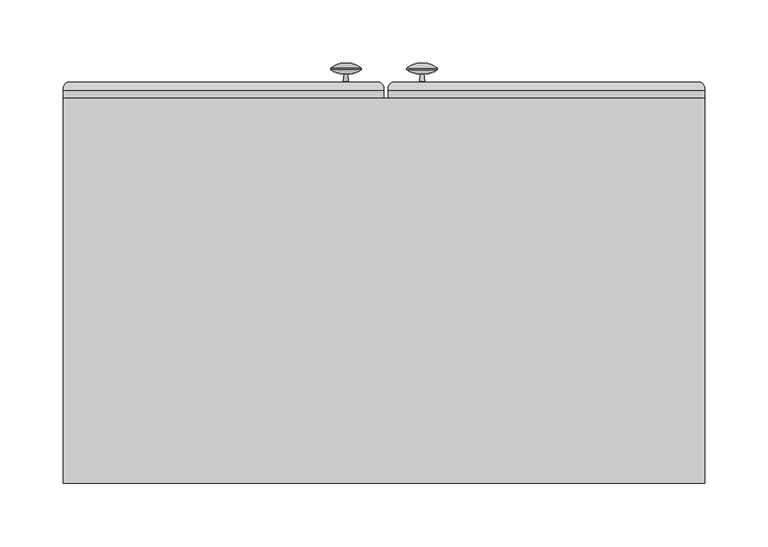
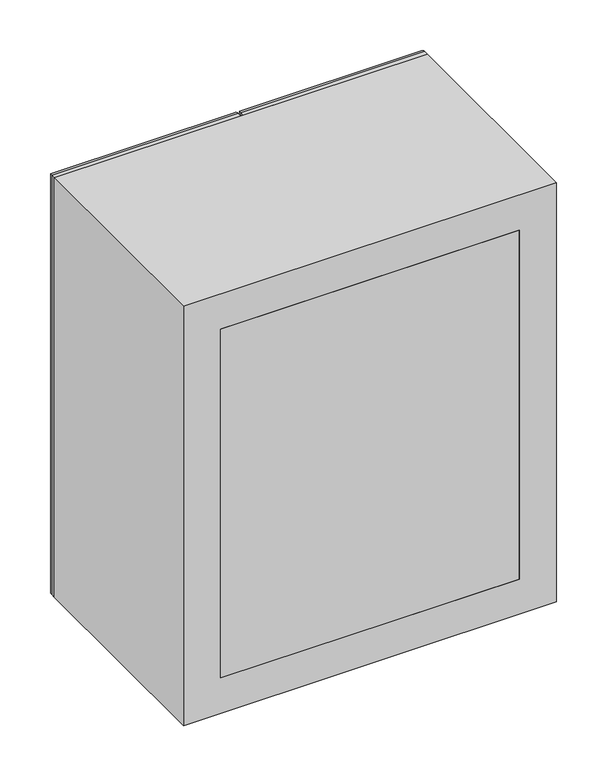
"""IFC4 building model written with IfcOpenShell, lengths in millimetres: furniture geometry."""

from ifc_helpers import new_model, si_unit, point, frame, frame_2d, origin, place, context, project, spatial, polyline, circle_curve, ellipse_curve, trimmed, segment, composite_curve, outline, extrude, source, transform, mapped, element, save
from ifc_brep_helpers import plane_surface, cylinder_surface, revolved_surface, advanced_brep


def furniture_ed995987(model_context):
    return source(origin(), model_context, "Body", "SolidModel", [
        extrude(outline(polyline([(-274.7654395, 366.7125), (131.6345605, 366.7125), (131.6345605, 360.3625), (-274.7654395, 360.3625), (-274.7654395, 366.7125)])), frame((0.0, 0.0, 1574.8), z_axis=(0.0, 0.0, 1.0), x_axis=(1.0, 0.0, 0.0)), (0.0, 0.0, 1.0), 501.65),
        extrude(outline(polyline([(131.6345605, 61.9125), (-274.7654395, 61.9125), (-274.7654395, 80.9625), (131.6345605, 80.9625), (131.6345605, 61.9125)])), frame((0.0, 0.0, 1574.8), z_axis=(0.0, 0.0, 1.0), x_axis=(1.0, 0.0, 0.0)), (0.0, 0.0, 1.0), 501.65),
        extrude(outline(polyline([(2127.25, -325.5654395), (1524.0, -325.5654395), (1524.0, 182.4345605), (2127.25, 182.4345605), (2127.25, -325.5654395)]), holes=[polyline([(2076.45, -274.7654395), (2076.45, 131.6345605), (1574.8, 131.6345605), (1574.8, -274.7654395), (2076.45, -274.7654395)])]), frame((0.0, 61.9125, 0.0), z_axis=(0.0, 1.0, 0.0), x_axis=(0.0, 0.0, 1.0)), (0.0, 0.0, 1.0), 304.8),
        extrude(outline(composite_curve([segment(trimmed(circle_curve(frame_2d((-298.4199247, 373.6644975)), 7.0487113), [point((-294.3401211, 379.4125))], [point((-291.3969674, 373.0625))], False, "CARTESIAN"), True, "CONTINUOUS"), segment(polyline([(-291.3969674, 373.0625), (-291.3969674, 366.7125), (-310.4469674, 366.7125), (-310.4469674, 373.0625)]), True, "CONTINUOUS"), segment(trimmed(circle_curve(frame_2d((-303.4240101, 373.6644975)), 7.0487113), [point((-310.4469674, 373.0625))], [point((-307.5038137, 379.4125))], False, "CARTESIAN"), True, "CONTINUOUS"), segment(polyline([(-307.5038137, 379.4125), (-294.3401211, 379.4125)]), True, "CONTINUOUS")], self_intersect=False)), frame((0.0, 0.0, 1569.2911459), z_axis=(0.0, 0.0, 1.0), x_axis=(1.0, 0.0, 0.0)), (0.0, 0.0, 1.0), 510.2809368),
        extrude(outline(composite_curve([segment(polyline([(379.4125, 1834.7342241), (379.4125, 1821.5705316)]), True, "CONTINUOUS"), segment(trimmed(circle_curve(frame_2d((373.6644975, 1825.6503351)), 7.0487113), [point((379.4125, 1821.5705316))], [point((373.0625, 1818.6273778))], False, "CARTESIAN"), True, "CONTINUOUS"), segment(polyline([(373.0625, 1818.6273778), (366.7125, 1818.6273778), (366.7125, 1837.6773778), (373.0625, 1837.6773778)]), True, "CONTINUOUS"), segment(trimmed(circle_curve(frame_2d((373.6644975, 1830.6544205)), 7.0487113), [point((373.0625, 1837.6773778))], [point((379.4125, 1834.7342241))], False, "CARTESIAN"), True, "CONTINUOUS")], self_intersect=False)), frame((-277.9155794, 0.0, 0.0), z_axis=(1.0, 0.0, 0.0), x_axis=(0.0, 1.0, 0.0)), (0.0, 0.0, 1.0), 158.7002798),
        extrude(outline(composite_curve([segment(polyline([(379.4125, 1834.9261538), (379.4125, 1821.7624613)]), True, "CONTINUOUS"), segment(trimmed(circle_curve(frame_2d((373.6644975, 1825.8422648)), 7.0487113), [point((379.4125, 1821.7624613))], [point((373.0625, 1818.8193075))], False, "CARTESIAN"), True, "CONTINUOUS"), segment(polyline([(373.0625, 1818.8193075), (366.7125, 1818.8193075), (366.7125, 1837.8693075), (373.0625, 1837.8693075)]), True, "CONTINUOUS"), segment(trimmed(circle_curve(frame_2d((373.6644975, 1830.8463502)), 7.0487113), [point((373.0625, 1837.8693075))], [point((379.4125, 1834.9261538))], False, "CARTESIAN"), True, "CONTINUOUS")], self_intersect=False)), frame((-20.7654395, 0.0, 0.0), z_axis=(1.0, 0.0, 0.0), x_axis=(0.0, 1.0, 0.0)), (0.0, 0.0, 1.0), 155.575),
        extrude(outline(composite_curve([segment(trimmed(circle_curve(frame_2d((161.6134605, 373.6644975)), 7.0487113), [point((165.6932641, 379.4125))], [point((168.6364178, 373.0625))], False, "CARTESIAN"), True, "CONTINUOUS"), segment(polyline([(168.6364178, 373.0625), (168.6364178, 366.7125), (149.5864178, 366.7125), (149.5864178, 373.0625)]), True, "CONTINUOUS"), segment(trimmed(circle_curve(frame_2d((156.6093751, 373.6644975)), 7.0487113), [point((149.5864178, 373.0625))], [point((152.5295715, 379.4125))], False, "CARTESIAN"), True, "CONTINUOUS"), segment(polyline([(152.5295715, 379.4125), (165.6932641, 379.4125)]), True, "CONTINUOUS")], self_intersect=False)), frame((0.0, 0.0, 1571.625), z_axis=(0.0, 0.0, 1.0), x_axis=(1.0, 0.0, 0.0)), (0.0, 0.0, 1.0), 508.0),
        advanced_brep(
        [(-325.5405794, 373.0625, 1524.0248601), (-322.3655794, 379.4125, 1527.1998601), (-74.7652996, 379.4125, 1527.1998601), (-71.5902996, 373.0625, 1524.0248601), (-74.7652996, 379.4125, 2124.0501399), (-71.5902996, 373.0625, 2127.2251399), (-322.3655794, 379.4125, 2124.0501399), (-119.2152996, 379.4125, 2079.6001399), (-277.9155794, 379.4125, 2079.6001399), (-277.9155794, 379.4125, 1571.6498601), (-119.2152996, 379.4125, 1571.6498601), (-71.5902996, 366.7125, 1524.0248601), (-71.5902996, 366.7125, 2127.2251399), (-325.5405794, 366.7125, 1524.0248601), (-325.5405794, 366.7125, 2127.2251399), (-122.3902996, 366.7125, 1574.8248601), (-274.7405794, 366.7125, 1574.8248601), (-274.7405794, 366.7125, 2076.4251399), (-122.3902996, 366.7125, 2076.4251399), (-274.7405794, 373.0625, 1574.8248601), (-122.3902996, 373.0625, 1574.8248601), (-122.3902996, 373.0625, 2076.4251399), (-325.5405794, 373.0625, 2127.2251399), (-274.7405794, 373.0625, 2076.4251399)],
        [
            (0, 1, ellipse_curve(frame((-318.7649784, 373.6434495, 1530.8004611), z_axis=(0.7071067811865475, 0.0, -0.7071067811865475), x_axis=(-0.7071067811865476, 0.0, -0.7071067811865474)), 9.6173043, 6.8004611)),
            (1, 2),
            (2, 3, ellipse_curve(frame((-78.3659006, 373.6434495, 1530.8004611), z_axis=(-0.7071067811865475, 0.0, -0.7071067811865475), x_axis=(-0.7071067811865476, 0.0, 0.7071067811865474)), 9.6173043, 6.8004611)),
            (3, 0),
            (2, 4),
            (4, 5, ellipse_curve(frame((-78.3659006, 373.6434495, 2120.4495389), z_axis=(0.7071067811865475, 0.0, -0.7071067811865475), x_axis=(-0.7071067811865474, 0.0, -0.7071067811865476)), 9.6173043, 6.8004611)),
            (5, 3),
            (1, 6),
            (6, 4),
            (7, 8),
            (8, 9),
            (9, 10),
            (10, 7),
            (11, 3),
            (5, 12),
            (12, 11),
            (13, 0),
            (11, 13),
            (12, 14),
            (14, 13),
            (15, 16),
            (16, 17),
            (17, 18),
            (18, 15),
            (19, 16),
            (15, 20),
            (20, 19),
            (18, 21),
            (21, 20),
            (10, 20, ellipse_curve(frame((-115.6146986, 373.6434495, 1568.0492591), z_axis=(0.7071067811865475, 0.0, 0.7071067811865475), x_axis=(0.7071067811865474, 0.0, -0.7071067811865476)), 9.6173043, 6.8004611)),
            (21, 7, ellipse_curve(frame((-115.6146986, 373.6434495, 2083.2007409), z_axis=(0.7071067811865475, 0.0, -0.7071067811865475), x_axis=(-0.7071067811865474, 0.0, -0.7071067811865476)), 9.6173043, 6.8004611)),
            (9, 19, ellipse_curve(frame((-281.5161804, 373.6434495, 1568.0492591), z_axis=(0.7071067811865475, 0.0, -0.7071067811865475), x_axis=(-0.7071067811865476, 0.0, -0.7071067811865474)), 9.6173043, 6.8004611)),
            (22, 6, ellipse_curve(frame((-318.7649784, 373.6434495, 2120.4495389), z_axis=(-0.7071067811865475, 0.0, -0.7071067811865475), x_axis=(-0.7071067811865474, 0.0, 0.7071067811865476)), 9.6173043, 6.8004611)),
            (0, 22),
            (14, 22),
            (23, 17),
            (19, 23),
            (8, 23, ellipse_curve(frame((-281.5161804, 373.6434495, 2083.2007409), z_axis=(-0.7071067811865475, 0.0, -0.7071067811865475), x_axis=(-0.7071067811865474, 0.0, 0.7071067811865476)), 9.6173043, 6.8004611)),
            (22, 5),
            (23, 21),
        ],
        [
            cylinder_surface(frame((-274.7654395, 373.6434495, 1530.8004611), z_axis=(-1.0, 0.0, 0.0), x_axis=(0.0, 0.0, -1.0)), 6.8004611),
            cylinder_surface(frame((-78.3659006, 373.6434495, 1574.8), z_axis=(0.0, 0.0, -1.0), x_axis=(1.0, 0.0, 0.0)), 6.8004611),
            plane_surface(frame((-277.9155794, 379.4125, 1571.6498601), z_axis=(0.0, 1.0, 0.0), x_axis=(1.0, 0.0, 0.0))),
            plane_surface(frame((-71.5902996, 373.0625, 1524.0248601), z_axis=(1.0, 0.0, 0.0), x_axis=(0.0, 0.0, 1.0))),
            plane_surface(frame((-325.5405794, 373.0625, 1524.0248601), z_axis=(0.0, 0.0, -1.0), x_axis=(1.0, 0.0, 0.0))),
            plane_surface(frame((-325.5405794, 366.7125, 1524.0248601), z_axis=(0.0, -1.0, 0.0), x_axis=(1.0, 0.0, 0.0))),
            plane_surface(frame((-274.7405794, 366.7125, 1574.8248601), z_axis=(0.0, 0.0, 1.0), x_axis=(1.0, 0.0, 0.0))),
            plane_surface(frame((-122.3902996, 366.7125, 1574.8248601), z_axis=(-1.0, 0.0, 0.0), x_axis=(0.0, 0.0, 1.0))),
            cylinder_surface(frame((-115.6146986, 373.6434495, 1574.8), z_axis=(0.0, 0.0, -1.0), x_axis=(1.0, 0.0, 0.0)), 6.8004611),
            cylinder_surface(frame((-274.7654395, 373.6434495, 1568.0492591), z_axis=(-1.0, 0.0, 0.0), x_axis=(0.0, 0.0, -1.0)), 6.8004611),
            cylinder_surface(frame((-318.7649784, 373.6434495, 2076.45), z_axis=(0.0, 0.0, 1.0), x_axis=(-1.0, 0.0, 0.0)), 6.8004611),
            plane_surface(frame((-325.5405794, 373.0625, 2127.2251399), z_axis=(-1.0, 0.0, 0.0), x_axis=(0.0, 0.0, -1.0))),
            plane_surface(frame((-274.7405794, 366.7125, 2076.4251399), z_axis=(1.0, 0.0, 0.0), x_axis=(0.0, 0.0, -1.0))),
            cylinder_surface(frame((-281.5161804, 373.6434495, 2076.45), z_axis=(0.0, 0.0, 1.0), x_axis=(-1.0, 0.0, 0.0)), 6.8004611),
            cylinder_surface(frame((-122.3654395, 373.6434495, 2120.4495389), z_axis=(1.0, 0.0, 0.0), x_axis=(0.0, 0.0, 1.0)), 6.8004611),
            plane_surface(frame((-71.5902996, 373.0625, 2127.2251399), z_axis=(0.0, 0.0, 1.0), x_axis=(-1.0, 0.0, 0.0))),
            plane_surface(frame((-122.3902996, 366.7125, 2076.4251399), z_axis=(0.0, 0.0, -1.0), x_axis=(-1.0, 0.0, 0.0))),
            cylinder_surface(frame((-122.3654395, 373.6434495, 2083.2007409), z_axis=(1.0, 0.0, 0.0), x_axis=(0.0, 0.0, 1.0)), 6.8004611),
        ],
        [
            (0, [[1, 2, 3, 4]]),
            (1, [[-3, 5, 6, 7]]),
            (2, [[-2, 8, 9, -5], [10, 11, 12, 13]]),
            (3, [[14, -7, 15, 16]]),
            (4, [[17, -4, -14, 18]]),
            (5, [[19, 20, -18, -16], [21, 22, 23, 24]]),
            (6, [[25, -21, 26, 27]]),
            (7, [[-26, -24, 28, 29]]),
            (8, [[30, -29, 31, -13]]),
            (9, [[32, -27, -30, -12]]),
            (10, [[33, -8, -1, 34]]),
            (11, [[35, -34, -17, -20]]),
            (12, [[36, -22, -25, 37]]),
            (13, [[38, -37, -32, -11]]),
            (14, [[-6, -9, -33, 39]]),
            (15, [[-15, -39, -35, -19]]),
            (16, [[-28, -23, -36, 40]]),
            (17, [[-31, -40, -38, -10]]),
        ],
    ),
        advanced_brep(
        [(-68.3904395, 373.0625, 2127.25), (-65.2154395, 379.4125, 2124.075), (-65.2154395, 379.4125, 1527.175), (-68.3904395, 373.0625, 1524.0), (179.2595605, 379.4125, 2124.075), (179.2595605, 379.4125, 1527.175), (-20.7654395, 379.4125, 1571.625), (134.8095605, 379.4125, 1571.625), (134.8095605, 379.4125, 2079.625), (-20.7654395, 379.4125, 2079.625), (182.4345605, 373.0625, 1524.0), (-68.3904395, 366.7125, 2127.25), (-68.3904395, 366.7125, 1524.0), (182.4345605, 366.7125, 1524.0), (182.4345605, 366.7125, 2127.25), (-17.5904395, 366.7125, 2076.45), (131.6345605, 366.7125, 2076.45), (131.6345605, 366.7125, 1574.8), (-17.5904395, 366.7125, 1574.8), (-17.5904395, 373.0625, 2076.45), (-17.5904395, 373.0625, 1574.8), (131.6345605, 373.0625, 1574.8), (182.4345605, 373.0625, 2127.25), (131.6345605, 373.0625, 2076.45)],
        [
            (0, 1, ellipse_curve(frame((-61.6148385, 373.6434495, 2120.474399), z_axis=(-0.7071067811865475, 0.0, -0.7071067811865475), x_axis=(-0.7071067811865474, 0.0, 0.7071067811865476)), 9.6173043, 6.8004611)),
            (1, 2),
            (2, 3, ellipse_curve(frame((-61.6148385, 373.6434495, 1530.775601), z_axis=(-0.7071067811865475, 0.0, 0.7071067811865475), x_axis=(0.7071067811865474, 0.0, 0.7071067811865476)), 9.6173043, 6.8004611)),
            (3, 0),
            (1, 4),
            (4, 5),
            (5, 2),
            (6, 7),
            (7, 8),
            (8, 9),
            (9, 6),
            (5, 10, ellipse_curve(frame((175.6589595, 373.6434495, 1530.775601), z_axis=(-0.7071067811865475, 0.0, -0.7071067811865475), x_axis=(-0.7071067811865476, 0.0, 0.7071067811865474)), 9.6173043, 6.8004611)),
            (10, 3),
            (11, 0),
            (3, 12),
            (12, 11),
            (10, 13),
            (13, 12),
            (13, 14),
            (14, 11),
            (15, 16),
            (16, 17),
            (17, 18),
            (18, 15),
            (19, 15),
            (18, 20),
            (20, 19),
            (17, 21),
            (21, 20),
            (9, 19, ellipse_curve(frame((-24.3660405, 373.6434495, 2083.225601), z_axis=(-0.7071067811865475, 0.0, -0.7071067811865475), x_axis=(-0.7071067811865474, 0.0, 0.7071067811865476)), 9.6173043, 6.8004611)),
            (20, 6, ellipse_curve(frame((-24.3660405, 373.6434495, 1568.024399), z_axis=(-0.7071067811865475, 0.0, 0.7071067811865475), x_axis=(0.7071067811865474, 0.0, 0.7071067811865476)), 9.6173043, 6.8004611)),
            (21, 7, ellipse_curve(frame((138.4101615, 373.6434495, 1568.024399), z_axis=(-0.7071067811865475, 0.0, -0.7071067811865475), x_axis=(-0.7071067811865476, 0.0, 0.7071067811865474)), 9.6173043, 6.8004611)),
            (4, 22, ellipse_curve(frame((175.6589595, 373.6434495, 2120.474399), z_axis=(0.7071067811865475, 0.0, -0.7071067811865475), x_axis=(-0.7071067811865474, 0.0, -0.7071067811865476)), 9.6173043, 6.8004611)),
            (22, 10),
            (22, 14),
            (16, 23),
            (23, 21),
            (23, 8, ellipse_curve(frame((138.4101615, 373.6434495, 2083.225601), z_axis=(0.7071067811865475, 0.0, -0.7071067811865475), x_axis=(-0.7071067811865474, 0.0, -0.7071067811865476)), 9.6173043, 6.8004611)),
            (0, 22),
            (19, 23),
        ],
        [
            cylinder_surface(frame((-61.6148385, 373.6434495, 2076.45), z_axis=(0.0, 0.0, 1.0), x_axis=(-1.0, 0.0, 0.0)), 6.8004611),
            plane_surface(frame((134.8095605, 379.4125, 2079.625), z_axis=(0.0, 1.0, 0.0), x_axis=(-1.0, 0.0, 0.0))),
            cylinder_surface(frame((-17.5904395, 373.6434495, 1530.775601), z_axis=(-1.0, 0.0, 0.0), x_axis=(0.0, 0.0, -1.0)), 6.8004611),
            plane_surface(frame((-68.3904395, 373.0625, 2127.25), z_axis=(-1.0, 0.0, 0.0), x_axis=(0.0, 0.0, -1.0))),
            plane_surface(frame((-68.3904395, 373.0625, 1524.0), z_axis=(0.0, 0.0, -1.0), x_axis=(1.0, 0.0, 0.0))),
            plane_surface(frame((182.4345605, 366.7125, 2127.25), z_axis=(0.0, -1.0, 0.0), x_axis=(-1.0, 0.0, 0.0))),
            plane_surface(frame((-17.5904395, 366.7125, 2076.45), z_axis=(1.0, 0.0, 0.0), x_axis=(0.0, 0.0, -1.0))),
            plane_surface(frame((-17.5904395, 366.7125, 1574.8), z_axis=(0.0, 0.0, 1.0), x_axis=(1.0, 0.0, 0.0))),
            cylinder_surface(frame((-24.3660405, 373.6434495, 2076.45), z_axis=(0.0, 0.0, 1.0), x_axis=(-1.0, 0.0, 0.0)), 6.8004611),
            cylinder_surface(frame((-17.5904395, 373.6434495, 1568.024399), z_axis=(-1.0, 0.0, 0.0), x_axis=(0.0, 0.0, -1.0)), 6.8004611),
            cylinder_surface(frame((175.6589595, 373.6434495, 1574.8), z_axis=(0.0, 0.0, -1.0), x_axis=(1.0, 0.0, 0.0)), 6.8004611),
            plane_surface(frame((182.4345605, 373.0625, 1524.0), z_axis=(1.0, 0.0, 0.0), x_axis=(0.0, 0.0, 1.0))),
            plane_surface(frame((131.6345605, 366.7125, 1574.8), z_axis=(-1.0, 0.0, 0.0), x_axis=(0.0, 0.0, 1.0))),
            cylinder_surface(frame((138.4101615, 373.6434495, 1574.8), z_axis=(0.0, 0.0, -1.0), x_axis=(1.0, 0.0, 0.0)), 6.8004611),
            cylinder_surface(frame((131.6345605, 373.6434495, 2120.474399), z_axis=(1.0, 0.0, 0.0), x_axis=(0.0, 0.0, 1.0)), 6.8004611),
            plane_surface(frame((182.4345605, 373.0625, 2127.25), z_axis=(0.0, 0.0, 1.0), x_axis=(-1.0, 0.0, 0.0))),
            plane_surface(frame((131.6345605, 366.7125, 2076.45), z_axis=(0.0, 0.0, -1.0), x_axis=(-1.0, 0.0, 0.0))),
            cylinder_surface(frame((131.6345605, 373.6434495, 2083.225601), z_axis=(1.0, 0.0, 0.0), x_axis=(0.0, 0.0, 1.0)), 6.8004611),
        ],
        [
            (0, [[1, 2, 3, 4]]),
            (1, [[5, 6, 7, -2], [8, 9, 10, 11]]),
            (2, [[-3, -7, 12, 13]]),
            (3, [[14, -4, 15, 16]]),
            (4, [[-15, -13, 17, 18]]),
            (5, [[-18, 19, 20, -16], [21, 22, 23, 24]]),
            (6, [[25, -24, 26, 27]]),
            (7, [[-26, -23, 28, 29]]),
            (8, [[30, -27, 31, -11]]),
            (9, [[-31, -29, 32, -8]]),
            (10, [[-12, -6, 33, 34]]),
            (11, [[-17, -34, 35, -19]]),
            (12, [[-28, -22, 36, 37]]),
            (13, [[-32, -37, 38, -9]]),
            (14, [[-33, -5, -1, 39]]),
            (15, [[-35, -39, -14, -20]]),
            (16, [[-36, -21, -25, 40]]),
            (17, [[-38, -40, -30, -10]]),
        ],
    ),
        advanced_brep(
        [(-103.0183118, 386.3901003, 1583.5590145), (-100.4037014, 386.3901003, 1583.5590145), (-99.7684205, 380.3458067, 1583.5590145), (-103.6535926, 380.3458067, 1583.5590145), (-113.7619206, 389.4707805, 1583.5590145), (-89.6600926, 389.4707805, 1583.5590145), (-113.7619206, 390.529555, 1583.5590145), (-89.6600926, 390.529555, 1583.5590145), (-101.7110066, 394.5828853, 1583.5590145), (-101.7110066, 380.3458067, 1583.5590145)],
        [
            (0, 1, circle_curve(frame((-101.7110066, 386.3901003, 1583.5590145), z_axis=(0.0, -1.0, 0.0), x_axis=(1.0, 0.0, 0.0)), 1.3073052)),
            (1, 2),
            (2, 3, circle_curve(frame((-101.7110066, 380.3458067, 1583.5590145), z_axis=(0.0, 1.0, 0.0), x_axis=(1.0, 0.0, 0.0)), 1.9425861)),
            (3, 0),
            (1, 0, circle_curve(frame((-101.7110066, 386.3901003, 1583.5590145), z_axis=(0.0, -1.0, 0.0), x_axis=(1.0, 0.0, 0.0)), 1.3073052)),
            (3, 2, circle_curve(frame((-101.7110066, 380.3458067, 1583.5590145), z_axis=(0.0, 1.0, 0.0), x_axis=(1.0, 0.0, 0.0)), 1.9425861)),
            (4, 5, circle_curve(frame((-101.7110066, 389.4707805, 1583.5590145), z_axis=(0.0, -1.0, 0.0), x_axis=(1.0, 0.0, 0.0)), 12.050914)),
            (5, 1, circle_curve(frame((-99.3341666, 402.9342375, 1583.5590145), z_axis=(0.0, 0.0, -1.0), x_axis=(-1.0, 0.0, 0.0)), 16.5786725)),
            (0, 4, circle_curve(frame((-104.0878466, 402.9342375, 1583.5590145), z_axis=(0.0, 0.0, -1.0), x_axis=(1.0, 0.0, 0.0)), 16.5786725)),
            (5, 4, circle_curve(frame((-101.7110066, 389.4707805, 1583.5590145), z_axis=(0.0, -1.0, 0.0), x_axis=(1.0, 0.0, 0.0)), 12.050914)),
            (6, 7, circle_curve(frame((-101.7110066, 390.529555, 1583.5590145), z_axis=(0.0, -1.0, 0.0), x_axis=(1.0, 0.0, 0.0)), 12.050914)),
            (7, 5),
            (4, 6),
            (7, 6, circle_curve(frame((-101.7110066, 390.529555, 1583.5590145), z_axis=(0.0, -1.0, 0.0), x_axis=(1.0, 0.0, 0.0)), 12.050914)),
            (8, 7, circle_curve(frame((-100.5227543, 378.1747775, 1583.5590145), z_axis=(0.0, 0.0, -1.0), x_axis=(-1.0, 0.0, 0.0)), 16.4510774)),
            (6, 8, circle_curve(frame((-102.8992589, 378.1747775, 1583.5590145), z_axis=(0.0, 0.0, -1.0), x_axis=(1.0, 0.0, 0.0)), 16.4510774)),
            (2, 9),
            (9, 3),
        ],
        [
            revolved_surface(polyline([(-99.7684205, 380.3458067, 1583.5590145), (-100.4037014, 386.3901003, 1583.5590145)]), (-101.7110066, 276.5009287, 1583.5590145), (0.0, 1.0, 0.0)),
            revolved_surface(trimmed(ellipse_curve(frame((-99.3341666, 402.9342375, 1583.5590145), z_axis=(0.0, 0.0, 1.0), x_axis=(-1.0, 0.0, 0.0)), 16.5786725, 16.5786725), [point((-100.4037014, 386.3901003, 1583.5590145))], [point((-89.6600926, 389.4707805, 1583.5590145))], True, "CARTESIAN"), (-101.7110066, 276.5009287, 1583.5590145), (0.0, 1.0, 0.0)),
            cylinder_surface(frame((-101.7110066, 276.5009287, 1583.5590145), z_axis=(0.0, 1.0, 0.0), x_axis=(1.0, 0.0, 0.0)), 12.050914),
            revolved_surface(trimmed(ellipse_curve(frame((-100.5227543, 378.1747775, 1583.5590145), z_axis=(0.0, 0.0, 1.0), x_axis=(-1.0, 0.0, 0.0)), 16.4510774, 16.4510774), [point((-89.6600926, 390.529555, 1583.5590145))], [point((-101.7110066, 394.5828853, 1583.5590145))], True, "CARTESIAN"), (-101.7110066, 276.5009287, 1583.5590145), (0.0, 1.0, 0.0)),
            plane_surface(frame((-101.7110066, 380.3458067, 1583.5590145), z_axis=(0.0, -1.0, 0.0), x_axis=(1.0, 0.0, 0.0))),
        ],
        [
            (0, [[1, 2, 3, 4]]),
            (0, [[5, -4, 6, -2]]),
            (1, [[7, 8, -1, 9]]),
            (1, [[10, -9, -5, -8]]),
            (2, [[11, 12, -7, 13]]),
            (2, [[14, -13, -10, -12]]),
            (3, [[15, -11, 16]]),
            (3, [[-16, -14, -15]]),
            (4, [[-3, 17, 18]]),
            (4, [[-6, -18, -17]]),
        ],
    ),
        advanced_brep(
        [(-41.4198724, 380.3458067, 1583.5590145), (-43.3624584, 380.3458067, 1583.5590145), (-39.4772863, 380.3458067, 1583.5590145), (-29.3689583, 390.529555, 1583.5590145), (-53.4707864, 390.529555, 1583.5590145), (-41.4198724, 394.5828853, 1583.5590145), (-29.3689583, 389.4707805, 1583.5590145), (-53.4707864, 389.4707805, 1583.5590145), (-40.1125672, 386.3901003, 1583.5590145), (-42.7271776, 386.3901003, 1583.5590145)],
        [
            (0, 1),
            (1, 2, circle_curve(frame((-41.4198724, 380.3458067, 1583.5590145), z_axis=(0.0, -1.0, 0.0), x_axis=(-1.0, 0.0, 0.0)), 1.9425861)),
            (2, 0),
            (2, 1, circle_curve(frame((-41.4198724, 380.3458067, 1583.5590145), z_axis=(0.0, -1.0, 0.0), x_axis=(-1.0, 0.0, 0.0)), 1.9425861)),
            (3, 4, circle_curve(frame((-41.4198724, 390.529555, 1583.5590145), z_axis=(0.0, 1.0, 0.0), x_axis=(-1.0, 0.0, 0.0)), 12.050914)),
            (4, 5, circle_curve(frame((-42.6081246, 378.1747775, 1583.5590145), z_axis=(0.0, 0.0, -1.0), x_axis=(1.0, 0.0, 0.0)), 16.4510774)),
            (5, 3, circle_curve(frame((-40.2316201, 378.1747775, 1583.5590145), z_axis=(0.0, 0.0, -1.0), x_axis=(-1.0, 0.0, 0.0)), 16.4510774)),
            (4, 3, circle_curve(frame((-41.4198724, 390.529555, 1583.5590145), z_axis=(0.0, 1.0, 0.0), x_axis=(-1.0, 0.0, 0.0)), 12.050914)),
            (6, 7, circle_curve(frame((-41.4198724, 389.4707805, 1583.5590145), z_axis=(0.0, 1.0, 0.0), x_axis=(-1.0, 0.0, 0.0)), 12.050914)),
            (7, 4),
            (3, 6),
            (7, 6, circle_curve(frame((-41.4198724, 389.4707805, 1583.5590145), z_axis=(0.0, 1.0, 0.0), x_axis=(-1.0, 0.0, 0.0)), 12.050914)),
            (8, 9, circle_curve(frame((-41.4198724, 386.3901003, 1583.5590145), z_axis=(0.0, 1.0, 0.0), x_axis=(-1.0, 0.0, 0.0)), 1.3073052)),
            (9, 7, circle_curve(frame((-43.7967124, 402.9342375, 1583.5590145), z_axis=(0.0, 0.0, -1.0), x_axis=(1.0, 0.0, 0.0)), 16.5786725)),
            (6, 8, circle_curve(frame((-39.0430323, 402.9342375, 1583.5590145), z_axis=(0.0, 0.0, -1.0), x_axis=(-1.0, 0.0, 0.0)), 16.5786725)),
            (9, 8, circle_curve(frame((-41.4198724, 386.3901003, 1583.5590145), z_axis=(0.0, 1.0, 0.0), x_axis=(-1.0, 0.0, 0.0)), 1.3073052)),
            (1, 9),
            (8, 2),
        ],
        [
            plane_surface(frame((-41.4198724, 380.3458067, 1583.5590145), z_axis=(0.0, -1.0, 0.0), x_axis=(-1.0, 0.0, 0.0))),
            revolved_surface(trimmed(ellipse_curve(frame((-42.6081246, 378.1747775, 1583.5590145), z_axis=(0.0, 0.0, 1.0), x_axis=(1.0, 0.0, 0.0)), 16.4510774, 16.4510774), [point((-41.4198724, 394.5828853, 1583.5590145))], [point((-53.4707864, 390.529555, 1583.5590145))], True, "CARTESIAN"), (-41.4198724, 290.7884287, 1583.5590145), (0.0, -1.0, 0.0)),
            cylinder_surface(frame((-41.4198724, 290.7884287, 1583.5590145), z_axis=(0.0, -1.0, 0.0), x_axis=(-1.0, 0.0, 0.0)), 12.050914),
            revolved_surface(trimmed(ellipse_curve(frame((-43.7967124, 402.9342375, 1583.5590145), z_axis=(0.0, 0.0, 1.0), x_axis=(1.0, 0.0, 0.0)), 16.5786725, 16.5786725), [point((-53.4707864, 389.4707805, 1583.5590145))], [point((-42.7271776, 386.3901003, 1583.5590145))], True, "CARTESIAN"), (-41.4198724, 290.7884287, 1583.5590145), (0.0, -1.0, 0.0)),
            revolved_surface(polyline([(-42.7271776, 386.3901003, 1583.5590145), (-43.3624584, 380.3458067, 1583.5590145)]), (-41.4198724, 290.7884287, 1583.5590145), (0.0, -1.0, 0.0)),
        ],
        [
            (0, [[1, 2, 3]]),
            (0, [[-3, 4, -1]]),
            (1, [[5, 6, 7]]),
            (1, [[8, -7, -6]]),
            (2, [[9, 10, -5, 11]]),
            (2, [[12, -11, -8, -10]]),
            (3, [[13, 14, -9, 15]]),
            (3, [[16, -15, -12, -14]]),
            (4, [[-2, 17, -13, 18]]),
            (4, [[-4, -18, -16, -17]]),
        ],
    ),
        extrude(outline(polyline([(131.6345605, 80.9625), (-274.7654395, 80.9625), (-274.7654395, 360.3625), (131.6345605, 360.3625), (131.6345605, 80.9625)])), frame((0.0, 0.0, 1943.1), z_axis=(0.0, 0.0, 1.0), x_axis=(1.0, 0.0, 0.0)), (0.0, 0.0, 1.0), 6.35),
        extrude(outline(polyline([(131.6345605, 80.9625), (-274.7654395, 80.9625), (-274.7654395, 360.3625), (131.6345605, 360.3625), (131.6345605, 80.9625)])), frame((0.0, 0.0, 1720.85), z_axis=(0.0, 0.0, 1.0), x_axis=(1.0, 0.0, 0.0)), (0.0, 0.0, 1.0), 6.35),
    ])


if __name__ == "__main__":
    model = new_model("IFC4")
    model_context = context("Model", 3, world=origin())
    ifc_project = project(units=[si_unit("LENGTHUNIT", "METRE", prefix="MILLI")], contexts=[model_context])
    site = spatial("IfcSite", under=ifc_project)
    building = spatial("IfcBuilding", under=site)
    placement = place(None, origin())
    furniture_shape = furniture_ed995987(model_context)
    element("IfcFurniture", 1, at=placement, inside=building, context=model_context, shape_type="MappedRepresentation", body=[
        mapped(furniture_shape, transform((0.0, 0.0, 0.0), x_axis=(1.0, 0.0, 0.0), y_axis=(0.0, 1.0, 0.0), z_axis=(0.0, 0.0, 1.0))),
    ])
    save(model, "model.ifc")
